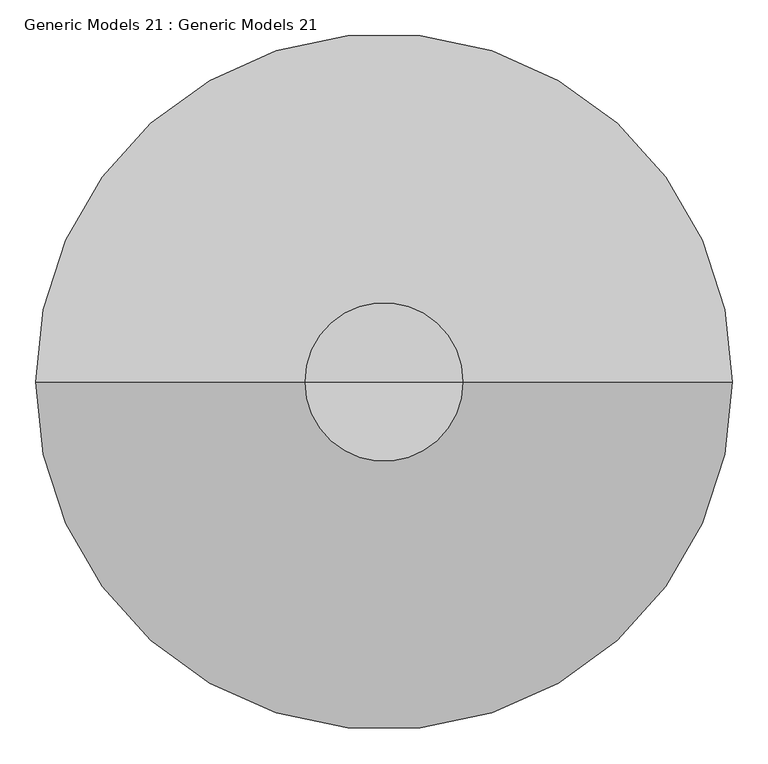
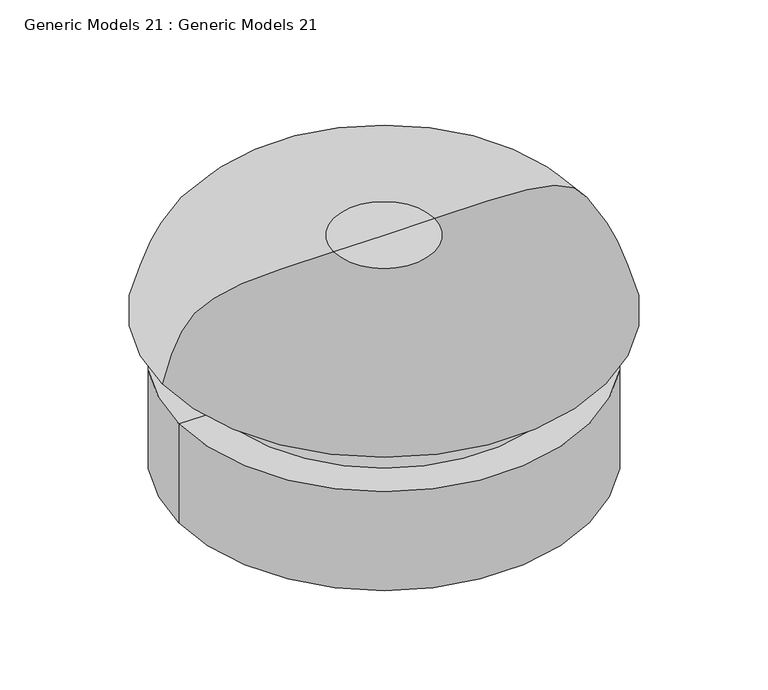
"""IFC4 building model written with IfcOpenShell, lengths in millimetres: proxy geometry, Generic Models 21 : Generic Models 21."""

from ifc_helpers import new_model, si_unit, point, frame, origin, place, context, project, spatial, polyline, circle_curve, ellipse_curve, trimmed, source, transform, mapped, element, save
from ifc_brep_helpers import plane_surface, cylinder_surface, revolved_surface, spline_curve, advanced_brep


def generic_models_21_generic_models_21_672025a7(model_context):
    return source(origin(), model_context, "Body", "AdvancedBrep", [
        advanced_brep(
        [(-14914.8671303, 37364.9724344, -2563.9472937), (-14013.1671303, 37364.9724344, -2563.9472937), (-14464.0171303, 37364.9724344, -2563.9472937), (-14914.8671303, 37364.9724344, -2334.5535437), (-14013.1671303, 37364.9724344, -2334.5535437), (-14836.2858803, 37364.9724344, -2334.5535437), (-14091.7483803, 37364.9724344, -2334.5535437), (-14795.652477, 37364.9724344, -2293.9201404), (-14132.3817837, 37364.9724344, -2293.9201404), (-14787.6882217, 37364.9724344, -2274.6927271), (-14140.346039, 37364.9724344, -2274.6927271), (-14787.6882217, 37364.9724344, -2228.8058851), (-14140.346039, 37364.9724344, -2228.8058851), (-14951.2007217, 37364.9724344, -2228.8058851), (-13976.833539, 37364.9724344, -2228.8058851), (-14575.1421303, 37364.9724344, -2053.8414628), (-14352.8921303, 37364.9724344, -2053.8414628), (-14464.0171303, 37364.9724344, -2053.8414628)],
        [
            (0, 1, circle_curve(frame((-14464.0171303, 37364.9724344, -2563.9472937), z_axis=(0.0, 0.0, -1.0), x_axis=(1.0, 0.0, 0.0)), 450.85)),
            (1, 2),
            (2, 0),
            (1, 0, circle_curve(frame((-14464.0171303, 37364.9724344, -2563.9472937), z_axis=(0.0, 0.0, -1.0), x_axis=(1.0, 0.0, 0.0)), 450.85)),
            (3, 4, circle_curve(frame((-14464.0171303, 37364.9724344, -2334.5535437), z_axis=(0.0, 0.0, -1.0), x_axis=(1.0, 0.0, 0.0)), 450.85)),
            (4, 1),
            (0, 3),
            (4, 3, circle_curve(frame((-14464.0171303, 37364.9724344, -2334.5535437), z_axis=(0.0, 0.0, -1.0), x_axis=(1.0, 0.0, 0.0)), 450.85)),
            (5, 6, circle_curve(frame((-14464.0171303, 37364.9724344, -2334.5535437), z_axis=(0.0, 0.0, -1.0), x_axis=(1.0, 0.0, 0.0)), 372.26875)),
            (6, 4),
            (3, 5),
            (6, 5, circle_curve(frame((-14464.0171303, 37364.9724344, -2334.5535437), z_axis=(0.0, 0.0, -1.0), x_axis=(1.0, 0.0, 0.0)), 372.26875)),
            (7, 8, circle_curve(frame((-14464.0171303, 37364.9724344, -2293.9201404), z_axis=(0.0, 0.0, -1.0), x_axis=(1.0, 0.0, 0.0)), 331.6353467)),
            (8, 6),
            (5, 7),
            (8, 7, circle_curve(frame((-14464.0171303, 37364.9724344, -2293.9201404), z_axis=(0.0, 0.0, -1.0), x_axis=(1.0, 0.0, 0.0)), 331.6353467)),
            (9, 10, circle_curve(frame((-14464.0171303, 37364.9724344, -2274.6927271), z_axis=(0.0, 0.0, -1.0), x_axis=(1.0, 0.0, 0.0)), 323.6710913)),
            (10, 8, circle_curve(frame((-14113.1543704, 37364.9724344, -2274.6927271), z_axis=(0.0, -1.0, 0.0), x_axis=(1.0, 0.0, 0.0)), 27.1916686)),
            (7, 9, circle_curve(frame((-14814.8798903, 37364.9724344, -2274.6927271), z_axis=(0.0, -1.0, 0.0), x_axis=(-1.0, 0.0, 0.0)), 27.1916686)),
            (10, 9, circle_curve(frame((-14464.0171303, 37364.9724344, -2274.6927271), z_axis=(0.0, 0.0, -1.0), x_axis=(1.0, 0.0, 0.0)), 323.6710913)),
            (11, 12, circle_curve(frame((-14464.0171303, 37364.9724344, -2228.8058851), z_axis=(0.0, 0.0, -1.0), x_axis=(1.0, 0.0, 0.0)), 323.6710913)),
            (12, 10),
            (9, 11),
            (12, 11, circle_curve(frame((-14464.0171303, 37364.9724344, -2228.8058851), z_axis=(0.0, 0.0, -1.0), x_axis=(1.0, 0.0, 0.0)), 323.6710913)),
            (13, 14, circle_curve(frame((-14464.0171303, 37364.9724344, -2228.8058851), z_axis=(0.0, 0.0, -1.0), x_axis=(1.0, 0.0, 0.0)), 487.1835913)),
            (14, 12),
            (11, 13),
            (14, 13, circle_curve(frame((-14464.0171303, 37364.9724344, -2228.8058851), z_axis=(0.0, 0.0, -1.0), x_axis=(1.0, 0.0, 0.0)), 487.1835913)),
            (15, 16, circle_curve(frame((-14464.0171303, 37364.9724344, -2053.8414628), z_axis=(0.0, 0.0, -1.0), x_axis=(1.0, 0.0, 0.0)), 111.125)),
            (16, 14, spline_curve(3, [(-14352.8921303, 37364.9724344, -2053.8414628), (-14041.084011747, 37364.9724344, -2048.398831837), (-14026.505101616, 37364.9724344, -2066.337524481), (-13976.833539, 37364.9724344, -2228.8058851)], [4, 4], [0.0, 0.5521251803723303])),
            (13, 15, spline_curve(3, [(-14951.2007217, 37364.9724344, -2228.8058851), (-14901.529159084, 37364.9724344, -2066.337524481), (-14886.950248853, 37364.9724344, -2048.398831837), (-14575.1421303, 37364.9724344, -2053.8414628)], [4, 4], [0.0, 0.5521251803723303])),
            (16, 15, circle_curve(frame((-14464.0171303, 37364.9724344, -2053.8414628), z_axis=(0.0, 0.0, -1.0), x_axis=(1.0, 0.0, 0.0)), 111.125)),
            (17, 16),
            (15, 17),
        ],
        [
            plane_surface(frame((-14464.0171303, 37364.9724344, -2563.9472937), z_axis=(0.0, 0.0, -1.0), x_axis=(1.0, 0.0, 0.0))),
            cylinder_surface(frame((-14464.0171303, 37364.9724344, -1922.5972937), z_axis=(0.0, 0.0, 1.0), x_axis=(1.0, 0.0, 0.0)), 450.85),
            plane_surface(frame((-14464.0171303, 37364.9724344, -2334.5535437), z_axis=(0.0, 0.0, 1.0), x_axis=(1.0, 0.0, 0.0))),
            revolved_surface(polyline([(-14091.7483803, 37364.9724344, -2334.5535437), (-14132.3817837, 37364.9724344, -2293.9201404)]), (-14464.0171303, 37364.9724344, -1922.5972937), (0.0, 0.0, 1.0)),
            revolved_surface(trimmed(ellipse_curve(frame((-14113.1543704, 37364.9724344, -2274.6927271), z_axis=(0.0, 1.0, 0.0), x_axis=(1.0, 0.0, 0.0)), 27.1916686, 27.1916686), [point((-14132.3817837, 37364.9724344, -2293.9201404))], [point((-14140.346039, 37364.9724344, -2274.6927271))], True, "CARTESIAN"), (-14464.0171303, 37364.9724344, -1922.5972937), (0.0, 0.0, 1.0)),
            cylinder_surface(frame((-14464.0171303, 37364.9724344, -1922.5972937), z_axis=(0.0, 0.0, 1.0), x_axis=(1.0, 0.0, 0.0)), 323.6710913),
            plane_surface(frame((-14464.0171303, 37364.9724344, -2228.8058851), z_axis=(0.0, 0.0, -1.0), x_axis=(1.0, 0.0, 0.0))),
            revolved_surface(spline_curve(3, [(-13976.833539, 37364.9724344, -2228.8058851), (-14026.505101616, 37364.9724344, -2066.337524481), (-14041.084011747, 37364.9724344, -2048.398831837), (-14352.8921303, 37364.9724344, -2053.8414628)], [4, 4], [0.0, 0.5521251803723303]), (-14464.0171303, 37364.9724344, -1922.5972937), (0.0, 0.0, 1.0)),
            plane_surface(frame((-14464.0171303, 37364.9724344, -2053.8414628), z_axis=(0.0, 0.0, 1.0), x_axis=(1.0, 0.0, 0.0))),
        ],
        [
            (0, [[1, 2, 3]]),
            (0, [[4, -3, -2]]),
            (1, [[5, 6, -1, 7]]),
            (1, [[8, -7, -4, -6]]),
            (2, [[9, 10, -5, 11]]),
            (2, [[12, -11, -8, -10]]),
            (3, [[13, 14, -9, 15]]),
            (3, [[16, -15, -12, -14]]),
            (4, [[17, 18, -13, 19]]),
            (4, [[20, -19, -16, -18]]),
            (5, [[21, 22, -17, 23]]),
            (5, [[24, -23, -20, -22]]),
            (6, [[25, 26, -21, 27]]),
            (6, [[28, -27, -24, -26]]),
            (7, [[29, 30, -25, 31]]),
            (7, [[32, -31, -28, -30]]),
            (8, [[33, -29, 34]]),
            (8, [[-34, -32, -33]]),
        ],
    ),
    ])


if __name__ == "__main__":
    model = new_model("IFC4")
    model_context = context("Model", 3, world=origin())
    ifc_project = project(units=[si_unit("LENGTHUNIT", "METRE", prefix="MILLI")], contexts=[model_context])
    site = spatial("IfcSite", under=ifc_project)
    building = spatial("IfcBuilding", under=site)
    placement = place(None, origin())
    generic_models_21_generic_models_21_shape = generic_models_21_generic_models_21_672025a7(model_context)
    element("IfcBuildingElementProxy", 1, Name="Generic Models 21 : Generic Models 21", ObjectType="Generic Models 21 : Generic Models 21", at=placement, inside=building, context=model_context, shape_type="MappedRepresentation", body=[
        mapped(generic_models_21_generic_models_21_shape, transform((0.0, 0.0, 0.0), x_axis=(1.0, 0.0, 0.0), y_axis=(0.0, 1.0, 0.0), z_axis=(0.0, 0.0, 1.0))),
    ])
    save(model, "model.ifc")
